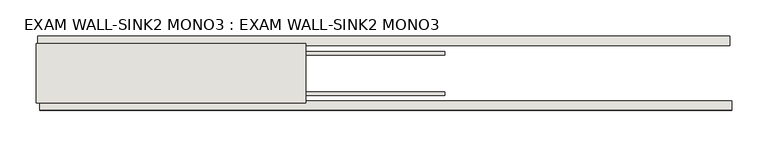
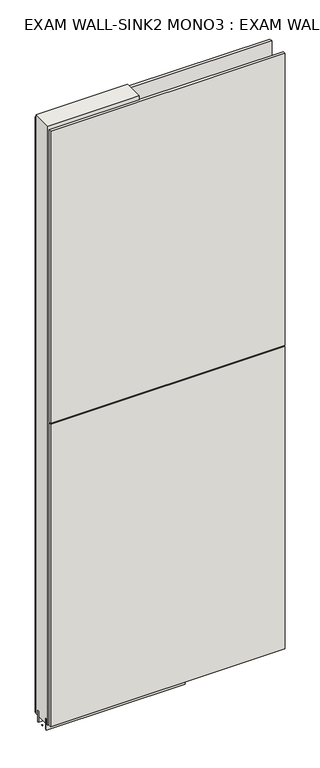
"""IFC4 building model written with IfcOpenShell, lengths in millimetres: wall geometry, EXAM WALL-SINK2 MONO3 : EXAM WALL-SINK2 MONO3."""

import ifcopenshell
import ifcopenshell.guid

model = None  # the IFC model being written
_history = None  # IfcOwnerHistory: only IFC2X3 demands one
_inside = {}  # id of a spatial element -> (the spatial element, [elements in it])
_under = {}  # id of a project, library or spatial element -> (it, [spatial elements below it])
_declared = {}  # id of a project -> (the project, [libraries it declares])
_typed = {}  # id of a type object -> (the type object, [elements of that type])
_made_of = {}  # id of a material, layer set ... -> (it, [elements and type objects made of it])


def new_model(schema):
    """Start an empty IFC model of exactly this schema.

    Asked for "IFC4X3", IfcOpenShell would pick the latest addendum, in which some entities
    have other attributes; the version numbers below select the first issue.
    IFC2X3 requires an IfcOwnerHistory on every rooted entity: one is made here for all.
    """
    global model, _history
    if schema == "IFC4X3":
        model = ifcopenshell.file(schema_version=(4, 3, 0, 0))
    else:
        model = ifcopenshell.file(schema=schema)
    _inside.clear()
    _under.clear()
    _declared.clear()
    _typed.clear()
    _made_of.clear()
    _history = None
    if model.schema == "IFC2X3":
        org = make("IfcOrganization", Name="unknown")
        user = make(
            "IfcPersonAndOrganization",
            ThePerson=make("IfcPerson", FamilyName="unknown"),
            TheOrganization=org,
        )
        app = make(
            "IfcApplication",
            ApplicationDeveloper=org,
            Version="unknown",
            ApplicationFullName="unknown",
            ApplicationIdentifier="unknown",
        )
        _history = make(
            "IfcOwnerHistory",
            OwningUser=user,
            OwningApplication=app,
            ChangeAction="ADDED",
            CreationDate=0,
        )
    return model


def make(cls, **values):
    """One entity of the class cls with the attributes given. An attribute that is None is left unset."""
    return model.create_entity(
        cls, **{name: value for name, value in values.items() if value is not None}
    )


def rooted(cls, **values):
    """An entity with a GlobalId (a new one), such as an element, a storey or a relation."""
    return make(cls, GlobalId=ifcopenshell.guid.new(), OwnerHistory=_history, **values)


def si_unit(unit_type, name, prefix=None):
    """IfcSIUnit, for example si_unit("LENGTHUNIT", "METRE", prefix="MILLI")."""
    return make("IfcSIUnit", UnitType=unit_type, Prefix=prefix, Name=name)


def assignment(units):
    """IfcUnitAssignment: the units of a project."""
    return None if units is None else make("IfcUnitAssignment", Units=units)


def point(xyz):
    """IfcCartesianPoint."""
    return None if xyz is None else make("IfcCartesianPoint", Coordinates=xyz)


def direction(xyz):
    """IfcDirection."""
    return None if xyz is None else make("IfcDirection", DirectionRatios=xyz)


def frame(location, z_axis=None, x_axis=None):
    """IfcAxis2Placement3D, a coordinate frame: its origin and axes. An axis left out is left unset."""
    return make(
        "IfcAxis2Placement3D",
        Location=point(location),
        Axis=direction(z_axis),
        RefDirection=direction(x_axis),
    )


def origin():
    """The frame at (0, 0, 0) with its axes left unset."""
    return frame((0.0, 0.0, 0.0))


def place(relative_to, where):
    """IfcLocalPlacement: puts the frame where relative to a parent placement (None: the world)."""
    return make(
        "IfcLocalPlacement", PlacementRelTo=relative_to, RelativePlacement=where
    )


def context(
    kind, dimensions, precision=None, world=None, true_north=None, identifier=None
):
    """IfcGeometricRepresentationContext, for example the 3D "Model" context."""
    return make(
        "IfcGeometricRepresentationContext",
        ContextIdentifier=identifier,
        ContextType=kind,
        CoordinateSpaceDimension=dimensions,
        Precision=precision,
        WorldCoordinateSystem=world,
        TrueNorth=true_north,
    )


def project(units=None, contexts=None):
    """IfcProject with its units and contexts."""
    return rooted(
        "IfcProject",
        Name="project",
        RepresentationContexts=contexts,
        UnitsInContext=assignment(units),
    )


def spatial(cls, under=None, at=None, **own):
    """A site, building, storey or space (cls), placed at a placement, below another one or the project."""
    s = rooted(cls, ObjectPlacement=at, **own)
    if under is not None:
        _under.setdefault(under.id(), (under, []))[1].append(s)
    return s


def polyline(points):
    """IfcPolyline through the points."""
    return make("IfcPolyline", Points=[point(p) for p in points])


def outline(outer, holes=None, kind="AREA"):
    """IfcArbitraryClosedProfileDef: a profile drawn as a closed curve; with holes, ...WithVoids."""
    if holes is None:
        return make("IfcArbitraryClosedProfileDef", ProfileType=kind, OuterCurve=outer)
    return make(
        "IfcArbitraryProfileDefWithVoids",
        ProfileType=kind,
        OuterCurve=outer,
        InnerCurves=holes,
    )


def extrude(swept, where, along, depth):
    """IfcExtrudedAreaSolid: the profile swept, set in the frame where, extruded along a direction by depth."""
    return make(
        "IfcExtrudedAreaSolid",
        SweptArea=swept,
        Position=where,
        ExtrudedDirection=direction(along),
        Depth=depth,
    )


def shape(context_of_items, identifier, shape_type, items):
    """IfcShapeRepresentation: the items that make up one representation, for example the "Body"."""
    return make(
        "IfcShapeRepresentation",
        ContextOfItems=context_of_items,
        RepresentationIdentifier=identifier,
        RepresentationType=shape_type,
        Items=items,
    )


def source(mapping_origin, context_of_items, identifier, shape_type, items):
    """IfcRepresentationMap: a shape defined once, which mapped items show again and again."""
    return make(
        "IfcRepresentationMap",
        MappingOrigin=mapping_origin,
        MappedRepresentation=shape(context_of_items, identifier, shape_type, items),
    )


def transform(
    local_origin,
    x_axis=None,
    y_axis=None,
    z_axis=None,
    scale=None,
    scale2=None,
    scale3=None,
    uniform=True,
):
    """IfcCartesianTransformationOperator3D, or its non-uniform kind. x_axis, y_axis, z_axis: its Axis1, 2, 3."""
    if uniform:
        return make(
            "IfcCartesianTransformationOperator3D",
            Axis1=direction(x_axis),
            Axis2=direction(y_axis),
            LocalOrigin=point(local_origin),
            Scale=scale,
            Axis3=direction(z_axis),
        )
    return make(
        "IfcCartesianTransformationOperator3DnonUniform",
        Axis1=direction(x_axis),
        Axis2=direction(y_axis),
        LocalOrigin=point(local_origin),
        Scale=scale,
        Axis3=direction(z_axis),
        Scale2=scale2,
        Scale3=scale3,
    )


def mapped(mapping_source, mapping_target):
    """IfcMappedItem: shows the shape of a source again, moved by a transform."""
    return make(
        "IfcMappedItem", MappingSource=mapping_source, MappingTarget=mapping_target
    )


def made_of(thing, what):
    """Note that an element or type object is made of a material, layer set ...; save() writes the relation."""
    if what is not None:
        _made_of.setdefault(what.id(), (what, []))[1].append(thing)
    return thing


def element(
    cls,
    number,
    at=None,
    inside=None,
    cuts=None,
    type_object=None,
    material=None,
    context=None,
    identifier="Body",
    shape_type=None,
    held_by="IfcProductDefinitionShape",
    body=None,
    shapes=None,
    **own,
):
    """One element of the class cls, such as IfcWall. Its Tag is "e" and its number.

    at: its placement. inside: the storey or other place that contains it. cuts: it is an
    opening in that element (IfcRelVoidsElement). A single representation is given by context,
    identifier, shape_type and body (its items); several are given by shapes. held_by: the class
    of the entity that holds the representations. save() writes the other relations.
    """
    e = rooted(cls, Tag="e%d" % number, ObjectPlacement=at, **own)
    if body is not None:
        shapes = [shape(context, identifier, shape_type, body)]
    if shapes is not None:
        e.Representation = make(held_by, Representations=shapes)
    if inside is not None:
        _inside.setdefault(inside.id(), (inside, []))[1].append(e)
    if cuts is not None:
        rooted(
            "IfcRelVoidsElement", RelatingBuildingElement=cuts, RelatedOpeningElement=e
        )
    if type_object is not None:
        _typed.setdefault(type_object.id(), (type_object, []))[1].append(e)
    return made_of(e, material)


def aggregate(whole, parts):
    """IfcRelAggregates: a whole, such as a stair, and the parts it consists of."""
    return rooted("IfcRelAggregates", RelatingObject=whole, RelatedObjects=parts)


def save(model, path):
    """Write the relations noted so far, then the file.

    IfcRelAggregates (storeys below a building ...), IfcRelContainedInSpatialStructure (elements
    in a storey), IfcRelDefinesByType, IfcRelAssociatesMaterial and IfcRelDeclares: one each for
    every whole, place, type object, material and project.
    """
    for whole, parts in _under.values():
        aggregate(whole, parts)
    for where, things in _inside.values():
        rooted(
            "IfcRelContainedInSpatialStructure",
            RelatedElements=things,
            RelatingStructure=where,
        )
    for kind, things in _typed.values():
        rooted("IfcRelDefinesByType", RelatedObjects=things, RelatingType=kind)
    for what, things in _made_of.values():
        rooted("IfcRelAssociatesMaterial", RelatedObjects=things, RelatingMaterial=what)
    for by, libraries in _declared.values():
        rooted("IfcRelDeclares", RelatingContext=by, RelatedDefinitions=libraries)
    model.write(path)


def exam_wall_sink2_mono3_exam_wall_sink2_mono3_f5de91be(model_context):
    return source(origin(), model_context, "Body", "SweptSolid", [
        extrude(outline(polyline([(83654.148414, -50815.3745692), (83651.608414, -50815.3745692), (83651.608414, -50812.8345692), (83654.148414, -50812.8345692), (83654.148414, -50815.3745692)])), frame((0.0, 0.0, 4419.6), z_axis=(0.0, 0.0, 1.0), x_axis=(1.0, 0.0, 0.0)), (0.0, 0.0, 1.0), 2.54),
        extrude(outline(polyline([(83653.6071654, -50763.3045692), (84603.6946734, -50763.3045692), (84603.6946734, -50776.0045692), (83653.6071654, -50776.0045692), (83653.6071654, -50763.3045692)])), frame((0.0, 0.0, 4445.0), z_axis=(0.0, 0.0, 1.0), x_axis=(1.0, 0.0, 0.0)), (0.0, 0.0, 1.0), 2545.0498756),
        extrude(outline(polyline([(84606.156543, -50864.9045692), (83656.069035, -50864.9045692), (83656.069035, -50852.2045692), (84606.156543, -50852.2045692), (84606.156543, -50864.9045692)])), frame((0.0, 0.0, 4445.0), z_axis=(0.0, 0.0, 1.0), x_axis=(1.0, 0.0, 0.0)), (0.0, 0.0, 1.0), 1293.400004),
        extrude(outline(polyline([(84606.156543, -50864.9045692), (83656.069035, -50864.9045692), (83656.069035, -50852.2045692), (84606.156543, -50852.2045692), (84606.156543, -50864.9045692)])), frame((0.0, 0.0, 5742.399869), z_axis=(0.0, 0.0, 1.0), x_axis=(1.0, 0.0, 0.0)), (0.0, 0.0, 1.0), 1247.649905),
        extrude(outline(polyline([(84212.000867, -50789.0270222), (83651.6009718, -50789.0270222), (83651.6009718, -50783.9482668), (84212.000867, -50783.9482668), (84212.000867, -50789.0270222)])), frame((0.0, 0.0, 4418.6602), z_axis=(0.0, 0.0, 1.0), x_axis=(1.0, 0.0, 0.0)), (0.0, 0.0, 1.0), 47.625),
        extrude(outline(polyline([(84212.000867, -50789.0270222), (83651.6009718, -50789.0270222), (83651.6009718, -50783.9482668), (84212.000867, -50783.9482668), (84212.000867, -50789.0270222)])), frame((0.0, 0.0, 4418.6602), z_axis=(0.0, 0.0, 1.0), x_axis=(1.0, 0.0, 0.0)), (0.0, 0.0, 1.0), 47.625),
        extrude(outline(polyline([(83651.6009718, -50839.1914126), (84212.000867, -50839.1914126), (84212.000867, -50844.2732668), (83651.6009718, -50844.2732668), (83651.6009718, -50839.1914126)])), frame((0.0, 0.0, 4418.6602), z_axis=(0.0, 0.0, 1.0), x_axis=(1.0, 0.0, 0.0)), (0.0, 0.0, 1.0), 47.625),
        extrude(outline(polyline([(83651.6009718, -50839.1914126), (84212.000867, -50839.1914126), (84212.000867, -50844.2732668), (83651.6009718, -50844.2732668), (83651.6009718, -50839.1914126)])), frame((0.0, 0.0, 4418.6602), z_axis=(0.0, 0.0, 1.0), x_axis=(1.0, 0.0, 0.0)), (0.0, 0.0, 1.0), 47.625),
        extrude(outline(polyline([(84021.500867, -50773.4558824), (84021.500867, -50854.7377366), (83651.6009718, -50854.7377366), (83651.6009718, -50773.4558824), (84021.500867, -50773.4558824)])), frame((0.0, 0.0, 4445.0), z_axis=(0.0, 0.0, 1.0), x_axis=(1.0, 0.0, 0.0)), (0.0, 0.0, 1.0), 2562.4536762),
    ])


if __name__ == "__main__":
    model = new_model("IFC4")
    model_context = context("Model", 3, world=origin())
    ifc_project = project(units=[si_unit("LENGTHUNIT", "METRE", prefix="MILLI")], contexts=[model_context])
    site = spatial("IfcSite", under=ifc_project)
    building = spatial("IfcBuilding", under=site)
    placement = place(None, origin())
    exam_wall_sink2_mono3_exam_wall_sink2_mono3_shape = exam_wall_sink2_mono3_exam_wall_sink2_mono3_f5de91be(model_context)
    element("IfcWall", 1, ObjectType="EXAM WALL-SINK2 MONO3 : EXAM WALL-SINK2 MONO3", at=placement, inside=building, context=model_context, shape_type="MappedRepresentation", body=[
        mapped(exam_wall_sink2_mono3_exam_wall_sink2_mono3_shape, transform((0.0, 0.0, 0.0), x_axis=(1.0, 0.0, 0.0), y_axis=(0.0, 1.0, 0.0), z_axis=(0.0, 0.0, 1.0))),
    ])
    save(model, "model.ifc")
